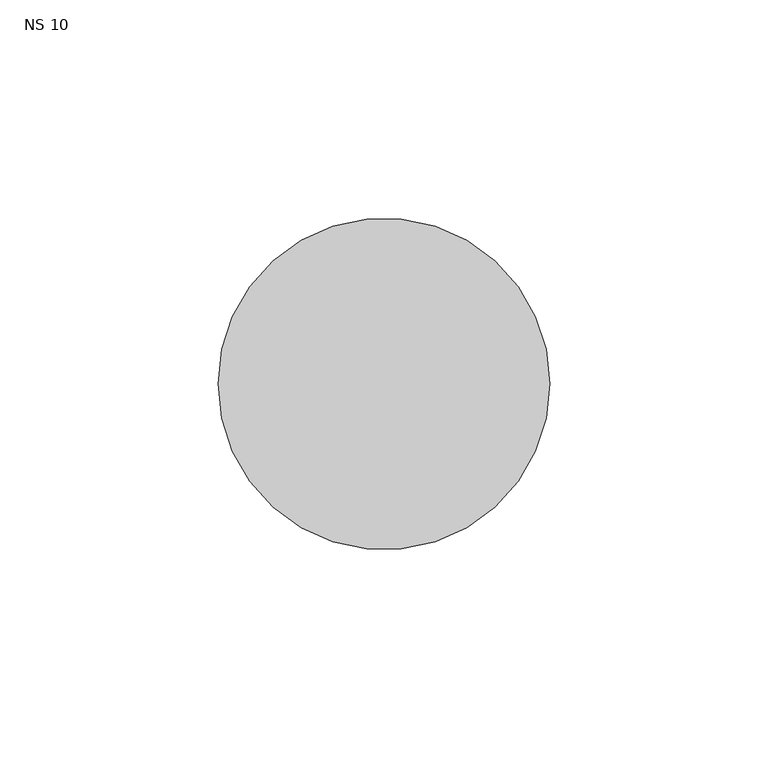
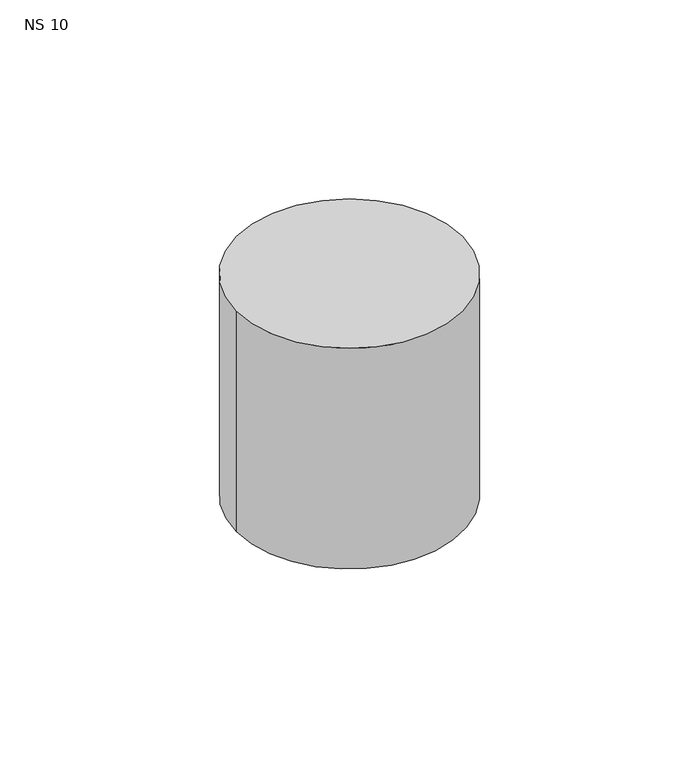
"""IFC4 building model written with IfcOpenShell, lengths in millimetres: unitary equipment geometry, NS 10."""

from ifc_helpers import new_model, si_unit, point, frame, frame_2d, origin, place, context, project, spatial, circle_curve, trimmed, segment, composite_curve, outline, extrude, source, transform, mapped, element, save


def ns_10_30088c44(model_context):
    return source(origin(), model_context, "Body", "SweptSolid", [
        extrude(outline(composite_curve([segment(trimmed(circle_curve(frame_2d((324.5, 562.1)), 38.0), [point((286.5, 562.1))], [point((362.5, 562.1))], False, "CARTESIAN"), True, "CONTINUOUS"), segment(trimmed(circle_curve(frame_2d((324.5, 562.1)), 38.0), [point((362.5, 562.1))], [point((286.5, 562.1))], False, "CARTESIAN"), True, "CONTINUOUS")], self_intersect=False)), frame((0.0, 0.0, 1898.5), z_axis=(0.0, 0.0, 1.0), x_axis=(1.0, 0.0, 0.0)), (0.0, 0.0, 1.0), 78.5),
    ])


if __name__ == "__main__":
    model = new_model("IFC4")
    model_context = context("Model", 3, world=origin())
    ifc_project = project(units=[si_unit("LENGTHUNIT", "METRE", prefix="MILLI")], contexts=[model_context])
    site = spatial("IfcSite", under=ifc_project)
    building = spatial("IfcBuilding", under=site)
    placement = place(None, origin())
    ns_10_shape = ns_10_30088c44(model_context)
    element("IfcUnitaryEquipment", 1, ObjectType="NS 10", at=placement, inside=building, context=model_context, shape_type="MappedRepresentation", body=[
        mapped(ns_10_shape, transform((0.0, 0.0, 0.0), x_axis=(1.0, 0.0, 0.0), y_axis=(0.0, 1.0, 0.0), z_axis=(0.0, 0.0, 1.0))),
    ])
    save(model, "model.ifc")
